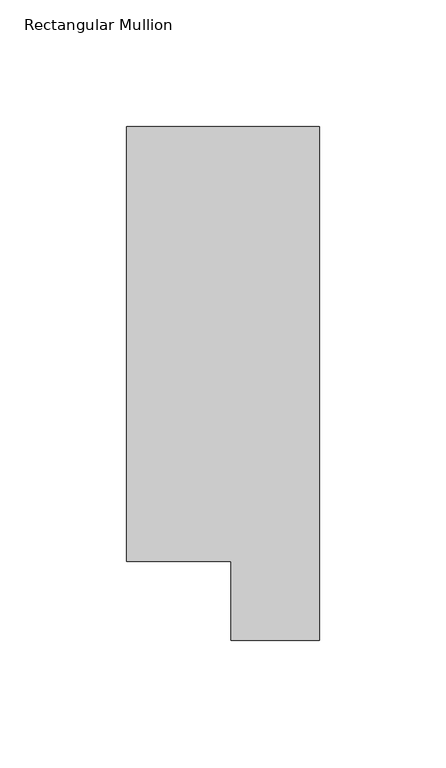
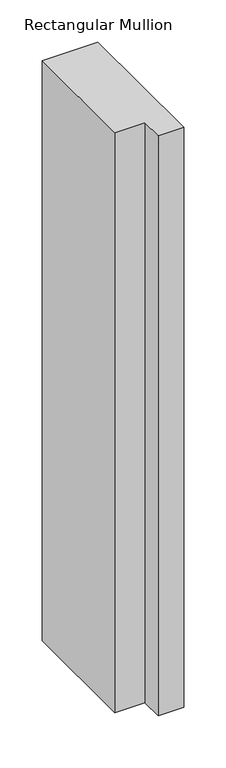
"""IFC4 building model written with IfcOpenShell, lengths in millimetres: member geometry, Rectangular Mullion."""

from ifc_helpers import new_model, si_unit, frame, origin, place, context, project, spatial, polyline, outline, extrude, source, transform, mapped, element, save


def rectangular_mullion_a16dba84(model_context):
    return source(origin(), model_context, "Body", "SweptSolid", [
        extrude(outline(polyline([(0.0, 222.5381312), (0.0, 19.5667313), (-34.9123, 19.5667313), (-34.9123, 50.820278), (-76.2, 50.820278), (-76.2, 222.5381312), (0.0, 222.5381312)])), frame((0.0, 0.0, -838.2000001), z_axis=(0.0, 0.0, 1.0), x_axis=(1.0, 0.0, 0.0)), (0.0, 0.0, 1.0), 838.2000001),
    ])


if __name__ == "__main__":
    model = new_model("IFC4")
    model_context = context("Model", 3, world=origin())
    ifc_project = project(units=[si_unit("LENGTHUNIT", "METRE", prefix="MILLI")], contexts=[model_context])
    site = spatial("IfcSite", under=ifc_project)
    building = spatial("IfcBuilding", under=site)
    placement = place(None, origin())
    rectangular_mullion_shape = rectangular_mullion_a16dba84(model_context)
    element("IfcMember", 1, ObjectType="Rectangular Mullion", at=placement, inside=building, context=model_context, shape_type="MappedRepresentation", body=[
        mapped(rectangular_mullion_shape, transform((0.0, 0.0, 0.0), x_axis=(1.0, 0.0, 0.0), y_axis=(0.0, 1.0, 0.0), z_axis=(0.0, 0.0, 1.0))),
    ])
    save(model, "model.ifc")
